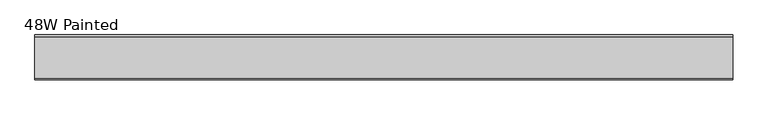
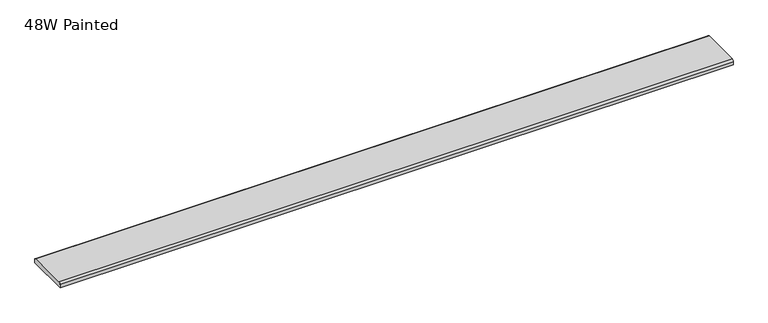
"""IFC4 building model written with IfcOpenShell, lengths in millimetres: furniture geometry, 48W Painted."""

import ifcopenshell
import ifcopenshell.guid

model = None  # the IFC model being written
_history = None  # IfcOwnerHistory: only IFC2X3 demands one
_inside = {}  # id of a spatial element -> (the spatial element, [elements in it])
_under = {}  # id of a project, library or spatial element -> (it, [spatial elements below it])
_declared = {}  # id of a project -> (the project, [libraries it declares])
_typed = {}  # id of a type object -> (the type object, [elements of that type])
_made_of = {}  # id of a material, layer set ... -> (it, [elements and type objects made of it])


def new_model(schema):
    """Start an empty IFC model of exactly this schema.

    Asked for "IFC4X3", IfcOpenShell would pick the latest addendum, in which some entities
    have other attributes; the version numbers below select the first issue.
    IFC2X3 requires an IfcOwnerHistory on every rooted entity: one is made here for all.
    """
    global model, _history
    if schema == "IFC4X3":
        model = ifcopenshell.file(schema_version=(4, 3, 0, 0))
    else:
        model = ifcopenshell.file(schema=schema)
    _inside.clear()
    _under.clear()
    _declared.clear()
    _typed.clear()
    _made_of.clear()
    _history = None
    if model.schema == "IFC2X3":
        org = make("IfcOrganization", Name="unknown")
        user = make(
            "IfcPersonAndOrganization",
            ThePerson=make("IfcPerson", FamilyName="unknown"),
            TheOrganization=org,
        )
        app = make(
            "IfcApplication",
            ApplicationDeveloper=org,
            Version="unknown",
            ApplicationFullName="unknown",
            ApplicationIdentifier="unknown",
        )
        _history = make(
            "IfcOwnerHistory",
            OwningUser=user,
            OwningApplication=app,
            ChangeAction="ADDED",
            CreationDate=0,
        )
    return model


def make(cls, **values):
    """One entity of the class cls with the attributes given. An attribute that is None is left unset."""
    return model.create_entity(
        cls, **{name: value for name, value in values.items() if value is not None}
    )


def rooted(cls, **values):
    """An entity with a GlobalId (a new one), such as an element, a storey or a relation."""
    return make(cls, GlobalId=ifcopenshell.guid.new(), OwnerHistory=_history, **values)


def si_unit(unit_type, name, prefix=None):
    """IfcSIUnit, for example si_unit("LENGTHUNIT", "METRE", prefix="MILLI")."""
    return make("IfcSIUnit", UnitType=unit_type, Prefix=prefix, Name=name)


def assignment(units):
    """IfcUnitAssignment: the units of a project."""
    return None if units is None else make("IfcUnitAssignment", Units=units)


def point(xyz):
    """IfcCartesianPoint."""
    return None if xyz is None else make("IfcCartesianPoint", Coordinates=xyz)


def direction(xyz):
    """IfcDirection."""
    return None if xyz is None else make("IfcDirection", DirectionRatios=xyz)


def frame(location, z_axis=None, x_axis=None):
    """IfcAxis2Placement3D, a coordinate frame: its origin and axes. An axis left out is left unset."""
    return make(
        "IfcAxis2Placement3D",
        Location=point(location),
        Axis=direction(z_axis),
        RefDirection=direction(x_axis),
    )


def frame_2d(location, x_axis=None):
    """IfcAxis2Placement2D, a coordinate frame in the plane: its origin and x axis."""
    return make(
        "IfcAxis2Placement2D", Location=point(location), RefDirection=direction(x_axis)
    )


def origin():
    """The frame at (0, 0, 0) with its axes left unset."""
    return frame((0.0, 0.0, 0.0))


def place(relative_to, where):
    """IfcLocalPlacement: puts the frame where relative to a parent placement (None: the world)."""
    return make(
        "IfcLocalPlacement", PlacementRelTo=relative_to, RelativePlacement=where
    )


def context(
    kind, dimensions, precision=None, world=None, true_north=None, identifier=None
):
    """IfcGeometricRepresentationContext, for example the 3D "Model" context."""
    return make(
        "IfcGeometricRepresentationContext",
        ContextIdentifier=identifier,
        ContextType=kind,
        CoordinateSpaceDimension=dimensions,
        Precision=precision,
        WorldCoordinateSystem=world,
        TrueNorth=true_north,
    )


def project(units=None, contexts=None):
    """IfcProject with its units and contexts."""
    return rooted(
        "IfcProject",
        Name="project",
        RepresentationContexts=contexts,
        UnitsInContext=assignment(units),
    )


def spatial(cls, under=None, at=None, **own):
    """A site, building, storey or space (cls), placed at a placement, below another one or the project."""
    s = rooted(cls, ObjectPlacement=at, **own)
    if under is not None:
        _under.setdefault(under.id(), (under, []))[1].append(s)
    return s


def polyline(points):
    """IfcPolyline through the points."""
    return make("IfcPolyline", Points=[point(p) for p in points])


def circle_curve(where, radius):
    """IfcCircle in the frame where."""
    return make("IfcCircle", Position=where, Radius=radius)


def trimmed(basis, trim1, trim2, sense, master):
    """IfcTrimmedCurve: the piece of a basis curve between two trims."""
    return make(
        "IfcTrimmedCurve",
        BasisCurve=basis,
        Trim1=trim1,
        Trim2=trim2,
        SenseAgreement=sense,
        MasterRepresentation=master,
    )


def segment(curve, same_sense, transition):
    """IfcCompositeCurveSegment."""
    return make(
        "IfcCompositeCurveSegment",
        Transition=transition,
        SameSense=same_sense,
        ParentCurve=curve,
    )


def composite_curve(segments, self_intersect=None):
    """IfcCompositeCurve: segments joined end to end."""
    return make("IfcCompositeCurve", Segments=segments, SelfIntersect=self_intersect)


def outline(outer, holes=None, kind="AREA"):
    """IfcArbitraryClosedProfileDef: a profile drawn as a closed curve; with holes, ...WithVoids."""
    if holes is None:
        return make("IfcArbitraryClosedProfileDef", ProfileType=kind, OuterCurve=outer)
    return make(
        "IfcArbitraryProfileDefWithVoids",
        ProfileType=kind,
        OuterCurve=outer,
        InnerCurves=holes,
    )


def extrude(swept, where, along, depth):
    """IfcExtrudedAreaSolid: the profile swept, set in the frame where, extruded along a direction by depth."""
    return make(
        "IfcExtrudedAreaSolid",
        SweptArea=swept,
        Position=where,
        ExtrudedDirection=direction(along),
        Depth=depth,
    )


def shape(context_of_items, identifier, shape_type, items):
    """IfcShapeRepresentation: the items that make up one representation, for example the "Body"."""
    return make(
        "IfcShapeRepresentation",
        ContextOfItems=context_of_items,
        RepresentationIdentifier=identifier,
        RepresentationType=shape_type,
        Items=items,
    )


def source(mapping_origin, context_of_items, identifier, shape_type, items):
    """IfcRepresentationMap: a shape defined once, which mapped items show again and again."""
    return make(
        "IfcRepresentationMap",
        MappingOrigin=mapping_origin,
        MappedRepresentation=shape(context_of_items, identifier, shape_type, items),
    )


def transform(
    local_origin,
    x_axis=None,
    y_axis=None,
    z_axis=None,
    scale=None,
    scale2=None,
    scale3=None,
    uniform=True,
):
    """IfcCartesianTransformationOperator3D, or its non-uniform kind. x_axis, y_axis, z_axis: its Axis1, 2, 3."""
    if uniform:
        return make(
            "IfcCartesianTransformationOperator3D",
            Axis1=direction(x_axis),
            Axis2=direction(y_axis),
            LocalOrigin=point(local_origin),
            Scale=scale,
            Axis3=direction(z_axis),
        )
    return make(
        "IfcCartesianTransformationOperator3DnonUniform",
        Axis1=direction(x_axis),
        Axis2=direction(y_axis),
        LocalOrigin=point(local_origin),
        Scale=scale,
        Axis3=direction(z_axis),
        Scale2=scale2,
        Scale3=scale3,
    )


def mapped(mapping_source, mapping_target):
    """IfcMappedItem: shows the shape of a source again, moved by a transform."""
    return make(
        "IfcMappedItem", MappingSource=mapping_source, MappingTarget=mapping_target
    )


def made_of(thing, what):
    """Note that an element or type object is made of a material, layer set ...; save() writes the relation."""
    if what is not None:
        _made_of.setdefault(what.id(), (what, []))[1].append(thing)
    return thing


def element(
    cls,
    number,
    at=None,
    inside=None,
    cuts=None,
    type_object=None,
    material=None,
    context=None,
    identifier="Body",
    shape_type=None,
    held_by="IfcProductDefinitionShape",
    body=None,
    shapes=None,
    **own,
):
    """One element of the class cls, such as IfcWall. Its Tag is "e" and its number.

    at: its placement. inside: the storey or other place that contains it. cuts: it is an
    opening in that element (IfcRelVoidsElement). A single representation is given by context,
    identifier, shape_type and body (its items); several are given by shapes. held_by: the class
    of the entity that holds the representations. save() writes the other relations.
    """
    e = rooted(cls, Tag="e%d" % number, ObjectPlacement=at, **own)
    if body is not None:
        shapes = [shape(context, identifier, shape_type, body)]
    if shapes is not None:
        e.Representation = make(held_by, Representations=shapes)
    if inside is not None:
        _inside.setdefault(inside.id(), (inside, []))[1].append(e)
    if cuts is not None:
        rooted(
            "IfcRelVoidsElement", RelatingBuildingElement=cuts, RelatedOpeningElement=e
        )
    if type_object is not None:
        _typed.setdefault(type_object.id(), (type_object, []))[1].append(e)
    return made_of(e, material)


def aggregate(whole, parts):
    """IfcRelAggregates: a whole, such as a stair, and the parts it consists of."""
    return rooted("IfcRelAggregates", RelatingObject=whole, RelatedObjects=parts)


def save(model, path):
    """Write the relations noted so far, then the file.

    IfcRelAggregates (storeys below a building ...), IfcRelContainedInSpatialStructure (elements
    in a storey), IfcRelDefinesByType, IfcRelAssociatesMaterial and IfcRelDeclares: one each for
    every whole, place, type object, material and project.
    """
    for whole, parts in _under.values():
        aggregate(whole, parts)
    for where, things in _inside.values():
        rooted(
            "IfcRelContainedInSpatialStructure",
            RelatedElements=things,
            RelatingStructure=where,
        )
    for kind, things in _typed.values():
        rooted("IfcRelDefinesByType", RelatedObjects=things, RelatingType=kind)
    for what, things in _made_of.values():
        rooted("IfcRelAssociatesMaterial", RelatedObjects=things, RelatingMaterial=what)
    for by, libraries in _declared.values():
        rooted("IfcRelDeclares", RelatingContext=by, RelatedDefinitions=libraries)
    model.write(path)


def furniture_48w_painted_23337309(model_context):
    return source(origin(), model_context, "Body", "SweptSolid", [
        extrude(outline(composite_curve([segment(polyline([(37.5704018, 1156.716), (37.5704018, 1150.366), (-40.8679732, 1150.366), (-40.8679732, 1156.716)]), True, "CONTINUOUS"), segment(trimmed(circle_curve(frame_2d((-37.6929732, 1156.716)), 3.175), [point((-40.8679732, 1156.716))], [point((-37.6929732, 1159.891))], False, "CARTESIAN"), True, "CONTINUOUS"), segment(polyline([(-37.6929732, 1159.891), (34.3954018, 1159.891)]), True, "CONTINUOUS"), segment(trimmed(circle_curve(frame_2d((34.3954018, 1156.716)), 3.175), [point((34.3954018, 1159.891))], [point((37.5704018, 1156.716))], False, "CARTESIAN"), True, "CONTINUOUS")], self_intersect=False)), frame((-607.374325, 0.0, 0.0), z_axis=(1.0, 0.0, 0.0), x_axis=(0.0, 1.0, 0.0)), (0.0, 0.0, 1.0), 1214.755),
    ])


if __name__ == "__main__":
    model = new_model("IFC4")
    model_context = context("Model", 3, world=origin())
    ifc_project = project(units=[si_unit("LENGTHUNIT", "METRE", prefix="MILLI")], contexts=[model_context])
    site = spatial("IfcSite", under=ifc_project)
    building = spatial("IfcBuilding", under=site)
    placement = place(None, origin())
    furniture_48w_painted_shape = furniture_48w_painted_23337309(model_context)
    element("IfcFurniture", 1, ObjectType="48W Painted", at=placement, inside=building, context=model_context, shape_type="MappedRepresentation", body=[
        mapped(furniture_48w_painted_shape, transform((0.0, 0.0, 0.0), x_axis=(1.0, 0.0, 0.0), y_axis=(0.0, 1.0, 0.0), z_axis=(0.0, 0.0, 1.0))),
    ])
    save(model, "model.ifc")
